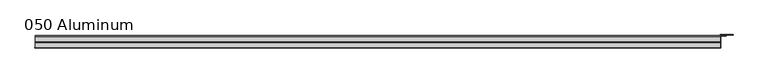
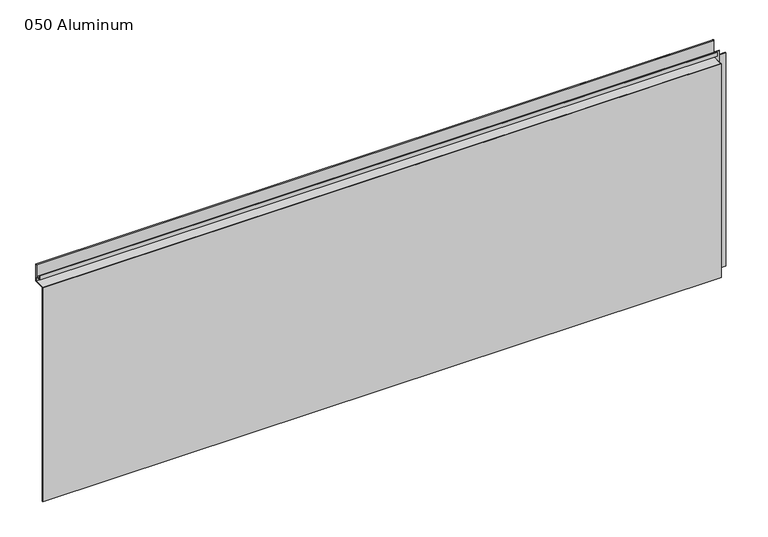
"""IFC4 building model written with IfcOpenShell, lengths in millimetres: plate geometry, 050 Aluminum."""

from ifc_helpers import new_model, si_unit, point, frame, frame_2d, origin, origin_with_axes, place, context, project, spatial, polyline, circle_curve, trimmed, segment, composite_curve, outline, extrude, source, transform, mapped, element, save


def plate_050_aluminum_e1619dc5(model_context):
    return source(origin(), model_context, "Body", "SweptSolid", [
        extrude(outline(composite_curve([segment(polyline([(-2.0574743, 656.7932001), (-2.0574743, 608.33), (-34.7980002, 608.33), (-34.7980002, 609.6000001), (-3.3274743, 609.6000001), (-3.3274743, 656.7932001)]), True, "CONTINUOUS"), segment(trimmed(circle_curve(frame_2d((-3.7084742, 656.7932001)), 0.3809999), [point((-3.3274743, 656.7932001))], [point((-4.0894742, 656.7932001))], True, "CARTESIAN"), True, "CONTINUOUS"), segment(polyline([(-4.0894742, 656.7932001), (-4.0894742, 622.3), (-20.4864742, 622.3), (-20.4864742, 633.6538), (-19.2164743, 633.6538), (-19.2164743, 623.57), (-5.3594742, 623.57), (-5.3594742, 656.7932001)]), True, "CONTINUOUS"), segment(trimmed(circle_curve(frame_2d((-3.7084742, 656.7932001)), 1.6509999), [point((-5.3594742, 656.7932001))], [point((-2.0574743, 656.7932001))], False, "CARTESIAN"), True, "CONTINUOUS")], self_intersect=False)), frame((-919.4800002, 0.0, 0.0), z_axis=(1.0, 0.0, 0.0), x_axis=(0.0, 1.0, 0.0)), (0.0, 0.0, 1.0), 1826.2600003),
        extrude(outline(polyline([(-920.7500002, -36.068), (-920.7500002, -34.7980001), (908.0500002, -34.7980001), (908.0500002, -36.068), (-920.7500002, -36.068)])), origin_with_axes(), (0.0, 0.0, 1.0), 609.6),
        extrude(outline(polyline([(908.0500002, -1.2699999), (908.0500002, -34.7980002), (906.7800002, -34.7980002), (906.7800002, 0.0), (940.5620858, 0.0), (940.5620858, -1.2699999), (908.0500002, -1.2699999)])), origin_with_axes(), (0.0, 0.0, 1.0), 608.33),
        extrude(outline(polyline([(906.7800002, -3.3274743), (906.7800002, -2.0574743), (922.5280001, -2.0574743), (922.5280001, -3.3274743), (906.7800002, -3.3274743)])), origin_with_axes(), (0.0, 0.0, 1.0), 622.3),
    ])


if __name__ == "__main__":
    model = new_model("IFC4")
    model_context = context("Model", 3, world=origin())
    ifc_project = project(units=[si_unit("LENGTHUNIT", "METRE", prefix="MILLI")], contexts=[model_context])
    site = spatial("IfcSite", under=ifc_project)
    building = spatial("IfcBuilding", under=site)
    placement = place(None, origin())
    plate_050_aluminum_shape = plate_050_aluminum_e1619dc5(model_context)
    element("IfcPlate", 1, ObjectType="050 Aluminum", at=placement, inside=building, context=model_context, shape_type="MappedRepresentation", body=[
        mapped(plate_050_aluminum_shape, transform((0.0, 0.0, 0.0), x_axis=(1.0, 0.0, 0.0), y_axis=(0.0, 1.0, 0.0), z_axis=(0.0, 0.0, 1.0))),
    ])
    save(model, "model.ifc")
